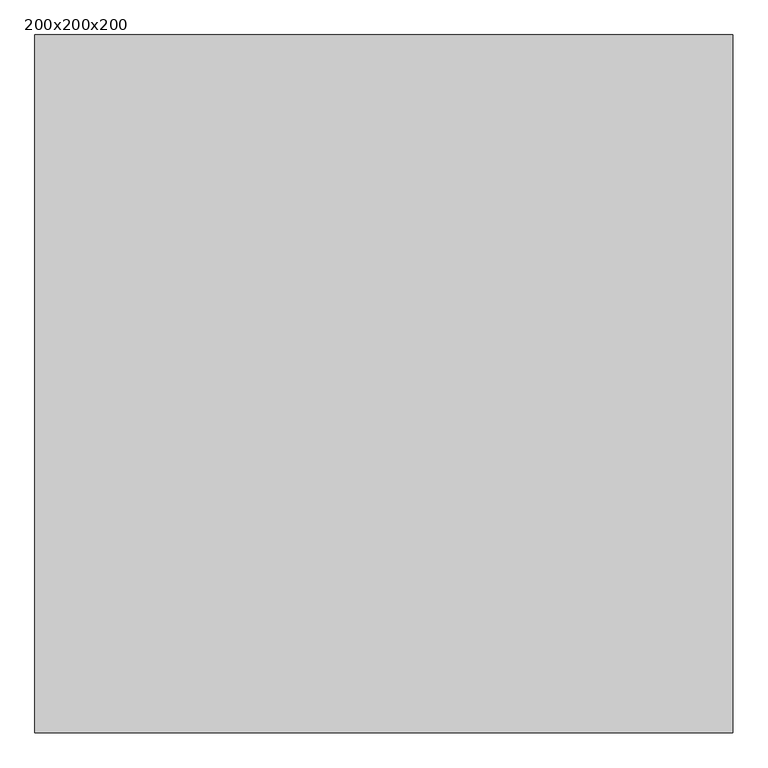
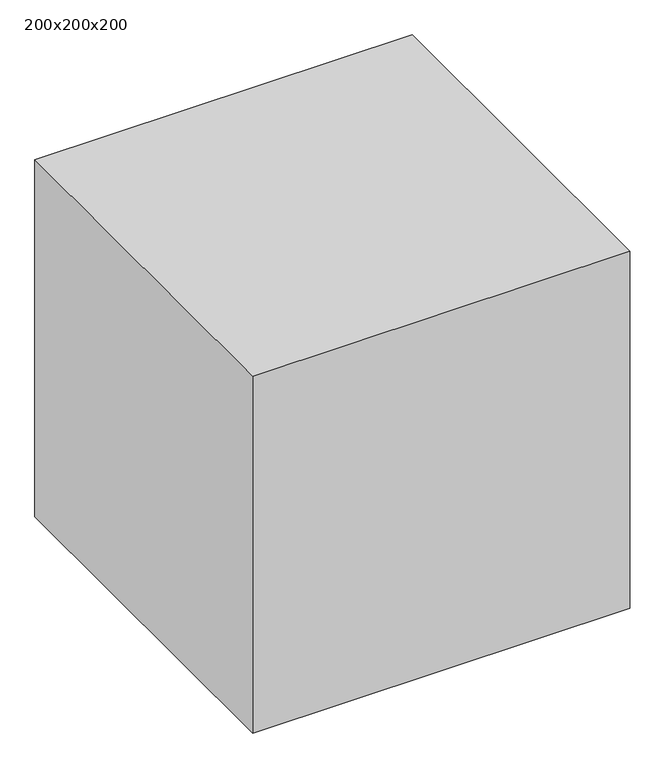
"""IFC4 building model written with IfcOpenShell, lengths in millimetres: proxy geometry, 200x200x200."""

from ifc_helpers import new_model, si_unit, origin, origin_with_axes, place, context, project, spatial, polyline, outline, extrude, source, transform, mapped, element, save


def proxy_200x200x200_4b1d13a7(model_context):
    return source(origin(), model_context, "Body", "SweptSolid", [
        extrude(outline(polyline([(2000.0, 2000.0), (2000.0, 0.0), (0.0, 0.0), (0.0, 2000.0), (2000.0, 2000.0)])), origin_with_axes(), (0.0, 0.0, 1.0), 2000.0),
    ])


if __name__ == "__main__":
    model = new_model("IFC4")
    model_context = context("Model", 3, world=origin())
    ifc_project = project(units=[si_unit("LENGTHUNIT", "METRE", prefix="MILLI")], contexts=[model_context])
    site = spatial("IfcSite", under=ifc_project)
    building = spatial("IfcBuilding", under=site)
    placement = place(None, origin())
    proxy_200x200x200_shape = proxy_200x200x200_4b1d13a7(model_context)
    element("IfcBuildingElementProxy", 1, Name="200x200x200", ObjectType="200x200x200", at=placement, inside=building, context=model_context, shape_type="MappedRepresentation", body=[
        mapped(proxy_200x200x200_shape, transform((0.0, 0.0, 0.0), x_axis=(1.0, 0.0, 0.0), y_axis=(0.0, 1.0, 0.0), z_axis=(0.0, 0.0, 1.0))),
    ])
    save(model, "model.ifc")
